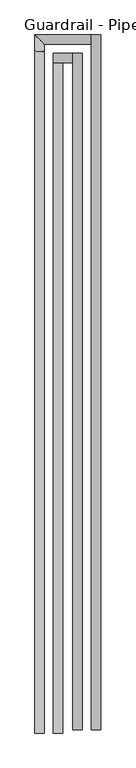
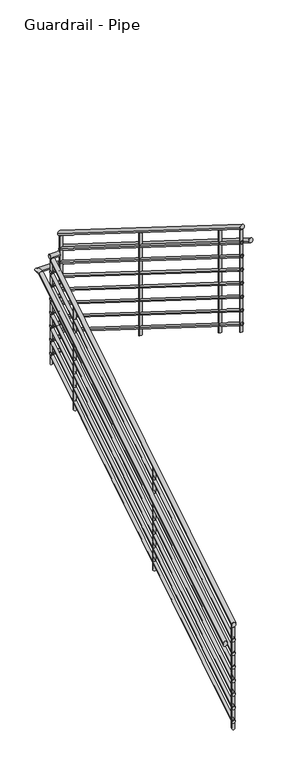
"""IFC4 building model written with IfcOpenShell, lengths in millimetres: railing geometry, Guardrail - Pipe."""

from ifc_helpers import new_model, si_unit, frame, origin, place, context, project, spatial, circle_curve, ellipse_curve, source, transform, mapped, element, save
from ifc_brep_helpers import plane_surface, cylinder_surface, advanced_brep


def guardrail_pipe_2cdfde2b(model_context):
    return source(origin(), model_context, "Body", "AdvancedBrep", [
        advanced_brep(
        [(115072.71908, 35424.3893546, 1220.737105), (115110.81908, 35424.3893546, 1220.737105), (115072.71908, 38192.8754512, 2947.033036), (115110.81908, 38192.8754512, 2947.033036)],
        [
            (0, 1, ellipse_curve(frame((115091.76908, 35424.3893546, 1220.737105), z_axis=(0.0, -1.0, 0.0), x_axis=(0.0, 0.0, -1.0)), 22.4500633, 19.05)),
            (1, 0, ellipse_curve(frame((115091.76908, 35424.3893546, 1220.737105), z_axis=(0.0, -1.0, 0.0), x_axis=(0.0, 0.0, -1.0)), 22.4500633, 19.05)),
            (2, 3, ellipse_curve(frame((115091.76908, 38192.8754512, 2947.033036), z_axis=(0.0, 1.0, 0.0), x_axis=(0.0, 0.0, -1.0)), 22.4500633, 19.05)),
            (3, 2, ellipse_curve(frame((115091.76908, 38192.8754512, 2947.033036), z_axis=(0.0, 1.0, 0.0), x_axis=(0.0, 0.0, -1.0)), 22.4500633, 19.05)),
            (0, 2),
            (3, 1),
        ],
        [
            plane_surface(frame((115091.76908, 35424.3893546, 1243.1871683), z_axis=(0.0, -1.0, 0.0), x_axis=(0.0, 0.0, 1.0))),
            plane_surface(frame((115091.76908, 38192.8754512, 2969.4830993), z_axis=(0.0, 1.0, 0.0), x_axis=(0.0, 0.0, 1.0))),
            cylinder_surface(frame((115091.76908, 35434.4690009, 1227.0222918), z_axis=(0.0, -0.848549946364704, -0.5291152885000188), x_axis=(1.0, 0.0, 0.0)), 19.05),
        ],
        [
            (0, [[1, 2]]),
            (1, [[3, 4]]),
            (2, [[-1, 5, -4, 6]]),
            (2, [[-2, -6, -3, -5]]),
        ],
    ),
        advanced_brep(
        [(115072.71908, 38230.9754512, 2978.15), (115072.71908, 38192.8754512, 2978.15), (115153.7892193, 38230.9754512, 2978.15), (115153.7892193, 38192.8754512, 2978.15)],
        [
            (0, 1, circle_curve(frame((115072.71908, 38211.9254512, 2978.15), z_axis=(-1.0, 0.0, 0.0), x_axis=(0.0, -1.0, 0.0)), 19.05)),
            (1, 0, circle_curve(frame((115072.71908, 38211.9254512, 2978.15), z_axis=(-1.0, 0.0, 0.0), x_axis=(0.0, -1.0, 0.0)), 19.05)),
            (2, 3, circle_curve(frame((115153.7892193, 38211.9254512, 2978.15), z_axis=(1.0, 0.0, 0.0), x_axis=(0.0, -1.0, 0.0)), 19.05)),
            (3, 2, circle_curve(frame((115153.7892193, 38211.9254512, 2978.15), z_axis=(1.0, 0.0, 0.0), x_axis=(0.0, -1.0, 0.0)), 19.05)),
            (0, 2),
            (3, 1),
        ],
        [
            plane_surface(frame((115072.71908, 38211.9254512, 2997.2), z_axis=(-1.0, 0.0, 0.0), x_axis=(0.0, 1.0, 0.0))),
            plane_surface(frame((115153.7892193, 38211.9254512, 2997.2), z_axis=(1.0, 0.0, 0.0), x_axis=(0.0, 1.0, 0.0))),
            cylinder_surface(frame((115072.71908, 38211.9254512, 2978.15), z_axis=(-1.0, 0.0, 0.0), x_axis=(0.0, -1.0, 0.0)), 19.05),
        ],
        [
            (0, [[1, 2]]),
            (1, [[3, 4]]),
            (2, [[-1, 5, -4, 6]]),
            (2, [[-2, -6, -3, -5]]),
        ],
    ),
        advanced_brep(
        [(115191.8892193, 38230.9754512, 3154.1884052), (115153.7892193, 38230.9754512, 3154.1884052), (115191.8892193, 35437.3254512, 4905.117613), (115153.7892193, 35437.3254512, 4905.117613)],
        [
            (0, 1, ellipse_curve(frame((115172.8392193, 38230.9754512, 3154.1884052), z_axis=(0.0, 1.0, 0.0), x_axis=(0.0, 0.0, -1.0)), 22.482387, 19.05)),
            (1, 0, ellipse_curve(frame((115172.8392193, 38230.9754512, 3154.1884052), z_axis=(0.0, 1.0, 0.0), x_axis=(0.0, 0.0, -1.0)), 22.482387, 19.05)),
            (2, 3, ellipse_curve(frame((115172.8392193, 35437.3254512, 4905.117613), z_axis=(0.0, -1.0, 0.0), x_axis=(0.0, 0.0, -1.0)), 22.482387, 19.05)),
            (3, 2, ellipse_curve(frame((115172.8392193, 35437.3254512, 4905.117613), z_axis=(0.0, -1.0, 0.0), x_axis=(0.0, 0.0, -1.0)), 22.482387, 19.05)),
            (0, 2),
            (3, 1),
        ],
        [
            plane_surface(frame((115172.8392193, 38230.9754512, 3176.6707922), z_axis=(0.0, 1.0, 0.0), x_axis=(0.0, 0.0, -1.0))),
            plane_surface(frame((115172.8392193, 35437.3254512, 4927.6), z_axis=(0.0, -1.0, 0.0), x_axis=(0.0, 0.0, -1.0))),
            cylinder_surface(frame((115172.8392193, 38220.8586286, 3160.5291566), z_axis=(0.0, 0.847329955384302, -0.5310668006083951), x_axis=(-1.0, 0.0, 0.0)), 19.05),
        ],
        [
            (0, [[1, 2]]),
            (1, [[3, 4]]),
            (2, [[-1, 5, -4, 6]]),
            (2, [[-2, -6, -3, -5]]),
        ],
    ),
        advanced_brep(
        [(115079.06908, 35424.3893546, 1075.8204595), (115104.46908, 35424.3893546, 1075.8204595), (115079.06908, 38199.2254512, 2806.0759477), (115104.46908, 38199.2254512, 2806.0759477)],
        [
            (0, 1, ellipse_curve(frame((115091.76908, 35424.3893546, 1075.8204595), z_axis=(0.0, -1.0, 0.0), x_axis=(0.0, 0.0, -1.0)), 14.9667089, 12.7)),
            (1, 0, ellipse_curve(frame((115091.76908, 35424.3893546, 1075.8204595), z_axis=(0.0, -1.0, 0.0), x_axis=(0.0, 0.0, -1.0)), 14.9667089, 12.7)),
            (2, 3, ellipse_curve(frame((115091.76908, 38199.2254512, 2806.0759477), z_axis=(0.0, 1.0, 0.0), x_axis=(0.0, 0.0, -1.0)), 14.9667089, 12.7)),
            (3, 2, ellipse_curve(frame((115091.76908, 38199.2254512, 2806.0759477), z_axis=(0.0, 1.0, 0.0), x_axis=(0.0, 0.0, -1.0)), 14.9667089, 12.7)),
            (0, 2),
            (3, 1),
        ],
        [
            plane_surface(frame((115091.76908, 35424.3893546, 1090.7871683), z_axis=(0.0, -1.0, 0.0), x_axis=(0.0, 0.0, 1.0))),
            plane_surface(frame((115091.76908, 38199.2254512, 2821.0426566), z_axis=(0.0, 1.0, 0.0), x_axis=(0.0, 0.0, 1.0))),
            cylinder_surface(frame((115091.76908, 35431.1091188, 1080.010584), z_axis=(0.0, -0.848549946364704, -0.5291152885000188), x_axis=(1.0, 0.0, 0.0)), 12.7),
        ],
        [
            (0, [[1, 2]]),
            (1, [[3, 4]]),
            (2, [[-1, 5, -4, 6]]),
            (2, [[-2, -6, -3, -5]]),
        ],
    ),
        advanced_brep(
        [(115079.06908, 38224.6254512, 2832.1), (115079.06908, 38199.2254512, 2832.1), (115160.1392193, 38224.6254512, 2832.1), (115160.1392193, 38199.2254512, 2832.1)],
        [
            (0, 1, circle_curve(frame((115079.06908, 38211.9254512, 2832.1), z_axis=(-1.0, 0.0, 0.0), x_axis=(0.0, -1.0, 0.0)), 12.7)),
            (1, 0, circle_curve(frame((115079.06908, 38211.9254512, 2832.1), z_axis=(-1.0, 0.0, 0.0), x_axis=(0.0, -1.0, 0.0)), 12.7)),
            (2, 3, circle_curve(frame((115160.1392193, 38211.9254512, 2832.1), z_axis=(1.0, 0.0, 0.0), x_axis=(0.0, -1.0, 0.0)), 12.7)),
            (3, 2, circle_curve(frame((115160.1392193, 38211.9254512, 2832.1), z_axis=(1.0, 0.0, 0.0), x_axis=(0.0, -1.0, 0.0)), 12.7)),
            (0, 2),
            (3, 1),
        ],
        [
            plane_surface(frame((115079.06908, 38211.9254512, 2844.8), z_axis=(-1.0, 0.0, 0.0), x_axis=(0.0, 1.0, 0.0))),
            plane_surface(frame((115160.1392193, 38211.9254512, 2844.8), z_axis=(1.0, 0.0, 0.0), x_axis=(0.0, 1.0, 0.0))),
            cylinder_surface(frame((115079.06908, 38211.9254512, 2832.1), z_axis=(-1.0, 0.0, 0.0), x_axis=(0.0, -1.0, 0.0)), 12.7),
        ],
        [
            (0, [[1, 2]]),
            (1, [[3, 4]]),
            (2, [[-1, 5, -4, 6]]),
            (2, [[-2, -6, -3, -5]]),
        ],
    ),
        advanced_brep(
        [(115185.5392193, 38224.6254512, 3013.2624173), (115160.1392193, 38224.6254512, 3013.2624173), (115185.5392193, 35437.3254512, 4760.211742), (115160.1392193, 35437.3254512, 4760.211742)],
        [
            (0, 1, ellipse_curve(frame((115172.8392193, 38224.6254512, 3013.2624173), z_axis=(0.0, 1.0, 0.0), x_axis=(0.0, 0.0, -1.0)), 14.988258, 12.7)),
            (1, 0, ellipse_curve(frame((115172.8392193, 38224.6254512, 3013.2624173), z_axis=(0.0, 1.0, 0.0), x_axis=(0.0, 0.0, -1.0)), 14.988258, 12.7)),
            (2, 3, ellipse_curve(frame((115172.8392193, 35437.3254512, 4760.211742), z_axis=(0.0, -1.0, 0.0), x_axis=(0.0, 0.0, -1.0)), 14.988258, 12.7)),
            (3, 2, ellipse_curve(frame((115172.8392193, 35437.3254512, 4760.211742), z_axis=(0.0, -1.0, 0.0), x_axis=(0.0, 0.0, -1.0)), 14.988258, 12.7)),
            (0, 2),
            (3, 1),
        ],
        [
            plane_surface(frame((115172.8392193, 38224.6254512, 3028.2506753), z_axis=(0.0, 1.0, 0.0), x_axis=(0.0, 0.0, -1.0))),
            plane_surface(frame((115172.8392193, 35437.3254512, 4775.2), z_axis=(0.0, -1.0, 0.0), x_axis=(0.0, 0.0, -1.0))),
            cylinder_surface(frame((115172.8392193, 38217.8809028, 3017.4895849), z_axis=(0.0, 0.847329955384302, -0.5310668006083952), x_axis=(-1.0, 0.0, 0.0)), 12.7),
        ],
        [
            (0, [[1, 2]]),
            (1, [[3, 4]]),
            (2, [[-1, 5, -4, 6]]),
            (2, [[-2, -6, -3, -5]]),
        ],
    ),
        advanced_brep(
        [(114996.51908, 35424.3893546, 1068.337105), (115034.61908, 35424.3893546, 1068.337105), (114996.51908, 38242.7781825, 2825.75), (115034.61908, 38242.7781825, 2825.75), (114996.51908, 38307.1754512, 2825.75), (115034.61908, 38269.0754512, 2825.75), (115229.9892193, 38307.1754512, 2825.75), (115229.9892193, 38269.0754512, 2825.75)],
        [
            (0, 1, ellipse_curve(frame((115015.56908, 35424.3893546, 1068.337105), z_axis=(0.0, -1.0, 0.0), x_axis=(0.0, 0.0, -1.0)), 22.4500633, 19.05)),
            (1, 0, ellipse_curve(frame((115015.56908, 35424.3893546, 1068.337105), z_axis=(0.0, -1.0, 0.0), x_axis=(0.0, 0.0, -1.0)), 22.4500633, 19.05)),
            (0, 2),
            (2, 3, ellipse_curve(frame((115015.56908, 38242.7781825, 2825.75), z_axis=(0.0, -0.9613922057008533, -0.2751818068434903), x_axis=(0.0, 0.27518180684348953, -0.9613922057008535)), 19.815014, 19.05)),
            (3, 1),
            (3, 2, ellipse_curve(frame((115015.56908, 38242.7781825, 2825.75), z_axis=(0.0, -0.9613922057008533, -0.2751818068434903), x_axis=(0.0, 0.27518180684348953, -0.9613922057008535)), 19.815014, 19.05)),
            (2, 4),
            (4, 5, ellipse_curve(frame((115015.56908, 38288.1254512, 2825.75), z_axis=(-0.7071067811865475, -0.7071067811865475, 0.0), x_axis=(0.7071067811865474, -0.7071067811865476, 0.0)), 26.9407684, 19.05)),
            (5, 3),
            (5, 4, ellipse_curve(frame((115015.56908, 38288.1254512, 2825.75), z_axis=(-0.7071067811865475, -0.7071067811865475, 0.0), x_axis=(0.7071067811865474, -0.7071067811865476, 0.0)), 26.9407684, 19.05)),
            (6, 7, circle_curve(frame((115229.9892193, 38288.1254512, 2825.75), z_axis=(1.0, 0.0, 0.0), x_axis=(0.0, -1.0, 0.0)), 19.05)),
            (7, 6, circle_curve(frame((115229.9892193, 38288.1254512, 2825.75), z_axis=(1.0, 0.0, 0.0), x_axis=(0.0, -1.0, 0.0)), 19.05)),
            (4, 6),
            (7, 5),
        ],
        [
            plane_surface(frame((115015.56908, 35424.3893546, 1090.7871683), z_axis=(0.0, -1.0, 0.0), x_axis=(0.0, 0.0, 1.0))),
            cylinder_surface(frame((115015.56908, 35434.4690009, 1074.6222918), z_axis=(0.0, -0.848549946364704, -0.5291152885000188), x_axis=(1.0, 0.0, 0.0)), 19.05),
            cylinder_surface(frame((115015.56908, 38237.3254512, 2825.75), z_axis=(0.0, -1.0, 0.0), x_axis=(1.0, 0.0, 0.0)), 19.05),
            plane_surface(frame((115229.9892193, 38288.1254512, 2844.8), z_axis=(1.0, 0.0, 0.0), x_axis=(0.0, 1.0, 0.0))),
            cylinder_surface(frame((115015.56908, 38288.1254512, 2825.75), z_axis=(-1.0, 0.0, 0.0), x_axis=(0.0, -1.0, 0.0)), 19.05),
        ],
        [
            (0, [[1, 2]]),
            (1, [[-1, 3, 4, 5]]),
            (1, [[-2, -5, 6, -3]]),
            (2, [[-4, 7, 8, 9]]),
            (2, [[-6, -9, 10, -7]]),
            (3, [[11, 12]]),
            (4, [[-8, 13, -12, 14]]),
            (4, [[-10, -14, -11, -13]]),
        ],
    ),
        advanced_brep(
        [(115268.0892193, 38307.1754512, 2954.0298078), (115229.9892193, 38307.1754512, 2954.0298078), (115268.0892193, 35437.3254512, 4752.717613), (115229.9892193, 35437.3254512, 4752.717613)],
        [
            (0, 1, ellipse_curve(frame((115249.0392193, 38307.1754512, 2954.0298078), z_axis=(0.0, 1.0, 0.0), x_axis=(0.0, 0.0, -1.0)), 22.482387, 19.05)),
            (1, 0, ellipse_curve(frame((115249.0392193, 38307.1754512, 2954.0298078), z_axis=(0.0, 1.0, 0.0), x_axis=(0.0, 0.0, -1.0)), 22.482387, 19.05)),
            (2, 3, ellipse_curve(frame((115249.0392193, 35437.3254512, 4752.717613), z_axis=(0.0, -1.0, 0.0), x_axis=(0.0, 0.0, -1.0)), 22.482387, 19.05)),
            (3, 2, ellipse_curve(frame((115249.0392193, 35437.3254512, 4752.717613), z_axis=(0.0, -1.0, 0.0), x_axis=(0.0, 0.0, -1.0)), 22.482387, 19.05)),
            (0, 2),
            (3, 1),
        ],
        [
            plane_surface(frame((115249.0392193, 38307.1754512, 2976.5121948), z_axis=(0.0, 1.0, 0.0), x_axis=(0.0, 0.0, -1.0))),
            plane_surface(frame((115249.0392193, 35437.3254512, 4775.2), z_axis=(0.0, -1.0, 0.0), x_axis=(0.0, 0.0, -1.0))),
            cylinder_surface(frame((115249.0392193, 38297.0586286, 2960.3705592), z_axis=(0.0, 0.8473299553843019, -0.5310668006083952), x_axis=(-1.0, 0.0, 0.0)), 19.05),
        ],
        [
            (0, [[1, 2]]),
            (1, [[3, 4]]),
            (2, [[-1, 5, -4, 6]]),
            (2, [[-2, -6, -3, -5]]),
        ],
    ),
        advanced_brep(
        [(115079.06908, 35424.3893546, 948.8204595), (115104.46908, 35424.3893546, 948.8204595), (115079.06908, 38199.2254512, 2679.0759477), (115104.46908, 38199.2254512, 2679.0759477)],
        [
            (0, 1, ellipse_curve(frame((115091.76908, 35424.3893546, 948.8204595), z_axis=(0.0, -1.0, 0.0), x_axis=(0.0, 0.0, -1.0)), 14.9667089, 12.7)),
            (1, 0, ellipse_curve(frame((115091.76908, 35424.3893546, 948.8204595), z_axis=(0.0, -1.0, 0.0), x_axis=(0.0, 0.0, -1.0)), 14.9667089, 12.7)),
            (2, 3, ellipse_curve(frame((115091.76908, 38199.2254512, 2679.0759477), z_axis=(0.0, 1.0, 0.0), x_axis=(0.0, 0.0, -1.0)), 14.9667089, 12.7)),
            (3, 2, ellipse_curve(frame((115091.76908, 38199.2254512, 2679.0759477), z_axis=(0.0, 1.0, 0.0), x_axis=(0.0, 0.0, -1.0)), 14.9667089, 12.7)),
            (0, 2),
            (3, 1),
        ],
        [
            plane_surface(frame((115091.76908, 35424.3893546, 963.7871683), z_axis=(0.0, -1.0, 0.0), x_axis=(0.0, 0.0, 1.0))),
            plane_surface(frame((115091.76908, 38199.2254512, 2694.0426566), z_axis=(0.0, 1.0, 0.0), x_axis=(0.0, 0.0, 1.0))),
            cylinder_surface(frame((115091.76908, 35431.1091188, 953.010584), z_axis=(0.0, -0.8485499463647039, -0.5291152885000188), x_axis=(1.0, 0.0, 0.0)), 12.7),
        ],
        [
            (0, [[1, 2]]),
            (1, [[3, 4]]),
            (2, [[-1, 5, -4, 6]]),
            (2, [[-2, -6, -3, -5]]),
        ],
    ),
        advanced_brep(
        [(115079.06908, 38224.6254512, 2705.1), (115079.06908, 38199.2254512, 2705.1), (115160.1392193, 38224.6254512, 2705.1), (115160.1392193, 38199.2254512, 2705.1)],
        [
            (0, 1, circle_curve(frame((115079.06908, 38211.9254512, 2705.1), z_axis=(-1.0, 0.0, 0.0), x_axis=(0.0, -1.0, 0.0)), 12.7)),
            (1, 0, circle_curve(frame((115079.06908, 38211.9254512, 2705.1), z_axis=(-1.0, 0.0, 0.0), x_axis=(0.0, -1.0, 0.0)), 12.7)),
            (2, 3, circle_curve(frame((115160.1392193, 38211.9254512, 2705.1), z_axis=(1.0, 0.0, 0.0), x_axis=(0.0, -1.0, 0.0)), 12.7)),
            (3, 2, circle_curve(frame((115160.1392193, 38211.9254512, 2705.1), z_axis=(1.0, 0.0, 0.0), x_axis=(0.0, -1.0, 0.0)), 12.7)),
            (0, 2),
            (3, 1),
        ],
        [
            plane_surface(frame((115079.06908, 38211.9254512, 2717.8), z_axis=(-1.0, 0.0, 0.0), x_axis=(0.0, 1.0, 0.0))),
            plane_surface(frame((115160.1392193, 38211.9254512, 2717.8), z_axis=(1.0, 0.0, 0.0), x_axis=(0.0, 1.0, 0.0))),
            cylinder_surface(frame((115079.06908, 38211.9254512, 2705.1), z_axis=(-1.0, 0.0, 0.0), x_axis=(0.0, -1.0, 0.0)), 12.7),
        ],
        [
            (0, [[1, 2]]),
            (1, [[3, 4]]),
            (2, [[-1, 5, -4, 6]]),
            (2, [[-2, -6, -3, -5]]),
        ],
    ),
        advanced_brep(
        [(115185.5392193, 38224.6254512, 2886.2624173), (115160.1392193, 38224.6254512, 2886.2624173), (115185.5392193, 35437.3254512, 4633.211742), (115160.1392193, 35437.3254512, 4633.211742)],
        [
            (0, 1, ellipse_curve(frame((115172.8392193, 38224.6254512, 2886.2624173), z_axis=(0.0, 1.0, 0.0), x_axis=(0.0, 0.0, -1.0)), 14.988258, 12.7)),
            (1, 0, ellipse_curve(frame((115172.8392193, 38224.6254512, 2886.2624173), z_axis=(0.0, 1.0, 0.0), x_axis=(0.0, 0.0, -1.0)), 14.988258, 12.7)),
            (2, 3, ellipse_curve(frame((115172.8392193, 35437.3254512, 4633.211742), z_axis=(0.0, -1.0, 0.0), x_axis=(0.0, 0.0, -1.0)), 14.988258, 12.7)),
            (3, 2, ellipse_curve(frame((115172.8392193, 35437.3254512, 4633.211742), z_axis=(0.0, -1.0, 0.0), x_axis=(0.0, 0.0, -1.0)), 14.988258, 12.7)),
            (0, 2),
            (3, 1),
        ],
        [
            plane_surface(frame((115172.8392193, 38224.6254512, 2901.2506753), z_axis=(0.0, 1.0, 0.0), x_axis=(0.0, 0.0, -1.0))),
            plane_surface(frame((115172.8392193, 35437.3254512, 4648.2), z_axis=(0.0, -1.0, 0.0), x_axis=(0.0, 0.0, -1.0))),
            cylinder_surface(frame((115172.8392193, 38217.8809028, 2890.4895849), z_axis=(0.0, 0.847329955384302, -0.5310668006083952), x_axis=(-1.0, 0.0, 0.0)), 12.7),
        ],
        [
            (0, [[1, 2]]),
            (1, [[3, 4]]),
            (2, [[-1, 5, -4, 6]]),
            (2, [[-2, -6, -3, -5]]),
        ],
    ),
        advanced_brep(
        [(115079.06908, 35424.3893546, 821.8204595), (115104.46908, 35424.3893546, 821.8204595), (115079.06908, 38199.2254512, 2552.0759477), (115104.46908, 38199.2254512, 2552.0759477)],
        [
            (0, 1, ellipse_curve(frame((115091.76908, 35424.3893546, 821.8204595), z_axis=(0.0, -1.0, 0.0), x_axis=(0.0, 0.0, -1.0)), 14.9667089, 12.7)),
            (1, 0, ellipse_curve(frame((115091.76908, 35424.3893546, 821.8204595), z_axis=(0.0, -1.0, 0.0), x_axis=(0.0, 0.0, -1.0)), 14.9667089, 12.7)),
            (2, 3, ellipse_curve(frame((115091.76908, 38199.2254512, 2552.0759477), z_axis=(0.0, 1.0, 0.0), x_axis=(0.0, 0.0, -1.0)), 14.9667089, 12.7)),
            (3, 2, ellipse_curve(frame((115091.76908, 38199.2254512, 2552.0759477), z_axis=(0.0, 1.0, 0.0), x_axis=(0.0, 0.0, -1.0)), 14.9667089, 12.7)),
            (0, 2),
            (3, 1),
        ],
        [
            plane_surface(frame((115091.76908, 35424.3893546, 836.7871683), z_axis=(0.0, -1.0, 0.0), x_axis=(0.0, 0.0, 1.0))),
            plane_surface(frame((115091.76908, 38199.2254512, 2567.0426566), z_axis=(0.0, 1.0, 0.0), x_axis=(0.0, 0.0, 1.0))),
            cylinder_surface(frame((115091.76908, 35431.1091188, 826.010584), z_axis=(0.0, -0.848549946364704, -0.5291152885000188), x_axis=(1.0, 0.0, 0.0)), 12.7),
        ],
        [
            (0, [[1, 2]]),
            (1, [[3, 4]]),
            (2, [[-1, 5, -4, 6]]),
            (2, [[-2, -6, -3, -5]]),
        ],
    ),
        advanced_brep(
        [(115079.06908, 38224.6254512, 2578.1), (115079.06908, 38199.2254512, 2578.1), (115160.1392193, 38224.6254512, 2578.1), (115160.1392193, 38199.2254512, 2578.1)],
        [
            (0, 1, circle_curve(frame((115079.06908, 38211.9254512, 2578.1), z_axis=(-1.0, 0.0, 0.0), x_axis=(0.0, -1.0, 0.0)), 12.7)),
            (1, 0, circle_curve(frame((115079.06908, 38211.9254512, 2578.1), z_axis=(-1.0, 0.0, 0.0), x_axis=(0.0, -1.0, 0.0)), 12.7)),
            (2, 3, circle_curve(frame((115160.1392193, 38211.9254512, 2578.1), z_axis=(1.0, 0.0, 0.0), x_axis=(0.0, -1.0, 0.0)), 12.7)),
            (3, 2, circle_curve(frame((115160.1392193, 38211.9254512, 2578.1), z_axis=(1.0, 0.0, 0.0), x_axis=(0.0, -1.0, 0.0)), 12.7)),
            (0, 2),
            (3, 1),
        ],
        [
            plane_surface(frame((115079.06908, 38211.9254512, 2590.8), z_axis=(-1.0, 0.0, 0.0), x_axis=(0.0, 1.0, 0.0))),
            plane_surface(frame((115160.1392193, 38211.9254512, 2590.8), z_axis=(1.0, 0.0, 0.0), x_axis=(0.0, 1.0, 0.0))),
            cylinder_surface(frame((115079.06908, 38211.9254512, 2578.1), z_axis=(-1.0, 0.0, 0.0), x_axis=(0.0, -1.0, 0.0)), 12.7),
        ],
        [
            (0, [[1, 2]]),
            (1, [[3, 4]]),
            (2, [[-1, 5, -4, 6]]),
            (2, [[-2, -6, -3, -5]]),
        ],
    ),
        advanced_brep(
        [(115185.5392193, 38224.6254512, 2759.2624173), (115160.1392193, 38224.6254512, 2759.2624173), (115185.5392193, 35437.3254512, 4506.211742), (115160.1392193, 35437.3254512, 4506.211742)],
        [
            (0, 1, ellipse_curve(frame((115172.8392193, 38224.6254512, 2759.2624173), z_axis=(0.0, 1.0, 0.0), x_axis=(0.0, 0.0, -1.0)), 14.988258, 12.7)),
            (1, 0, ellipse_curve(frame((115172.8392193, 38224.6254512, 2759.2624173), z_axis=(0.0, 1.0, 0.0), x_axis=(0.0, 0.0, -1.0)), 14.988258, 12.7)),
            (2, 3, ellipse_curve(frame((115172.8392193, 35437.3254512, 4506.211742), z_axis=(0.0, -1.0, 0.0), x_axis=(0.0, 0.0, -1.0)), 14.988258, 12.7)),
            (3, 2, ellipse_curve(frame((115172.8392193, 35437.3254512, 4506.211742), z_axis=(0.0, -1.0, 0.0), x_axis=(0.0, 0.0, -1.0)), 14.988258, 12.7)),
            (0, 2),
            (3, 1),
        ],
        [
            plane_surface(frame((115172.8392193, 38224.6254512, 2774.2506753), z_axis=(0.0, 1.0, 0.0), x_axis=(0.0, 0.0, -1.0))),
            plane_surface(frame((115172.8392193, 35437.3254512, 4521.2), z_axis=(0.0, -1.0, 0.0), x_axis=(0.0, 0.0, -1.0))),
            cylinder_surface(frame((115172.8392193, 38217.8809028, 2763.4895849), z_axis=(0.0, 0.847329955384302, -0.5310668006083951), x_axis=(-1.0, 0.0, 0.0)), 12.7),
        ],
        [
            (0, [[1, 2]]),
            (1, [[3, 4]]),
            (2, [[-1, 5, -4, 6]]),
            (2, [[-2, -6, -3, -5]]),
        ],
    ),
        advanced_brep(
        [(115079.06908, 35424.3893546, 694.8204595), (115104.46908, 35424.3893546, 694.8204595), (115079.06908, 38199.2254512, 2425.0759477), (115104.46908, 38199.2254512, 2425.0759477)],
        [
            (0, 1, ellipse_curve(frame((115091.76908, 35424.3893546, 694.8204595), z_axis=(0.0, -1.0, 0.0), x_axis=(0.0, 0.0, -1.0)), 14.9667089, 12.7)),
            (1, 0, ellipse_curve(frame((115091.76908, 35424.3893546, 694.8204595), z_axis=(0.0, -1.0, 0.0), x_axis=(0.0, 0.0, -1.0)), 14.9667089, 12.7)),
            (2, 3, ellipse_curve(frame((115091.76908, 38199.2254512, 2425.0759477), z_axis=(0.0, 1.0, 0.0), x_axis=(0.0, 0.0, -1.0)), 14.9667089, 12.7)),
            (3, 2, ellipse_curve(frame((115091.76908, 38199.2254512, 2425.0759477), z_axis=(0.0, 1.0, 0.0), x_axis=(0.0, 0.0, -1.0)), 14.9667089, 12.7)),
            (0, 2),
            (3, 1),
        ],
        [
            plane_surface(frame((115091.76908, 35424.3893546, 709.7871683), z_axis=(0.0, -1.0, 0.0), x_axis=(0.0, 0.0, 1.0))),
            plane_surface(frame((115091.76908, 38199.2254512, 2440.0426566), z_axis=(0.0, 1.0, 0.0), x_axis=(0.0, 0.0, 1.0))),
            cylinder_surface(frame((115091.76908, 35431.1091188, 699.010584), z_axis=(0.0, -0.848549946364704, -0.5291152885000188), x_axis=(1.0, 0.0, 0.0)), 12.7),
        ],
        [
            (0, [[1, 2]]),
            (1, [[3, 4]]),
            (2, [[-1, 5, -4, 6]]),
            (2, [[-2, -6, -3, -5]]),
        ],
    ),
        advanced_brep(
        [(115079.06908, 38224.6254512, 2451.1), (115079.06908, 38199.2254512, 2451.1), (115160.1392193, 38224.6254512, 2451.1), (115160.1392193, 38199.2254512, 2451.1)],
        [
            (0, 1, circle_curve(frame((115079.06908, 38211.9254512, 2451.1), z_axis=(-1.0, 0.0, 0.0), x_axis=(0.0, -1.0, 0.0)), 12.7)),
            (1, 0, circle_curve(frame((115079.06908, 38211.9254512, 2451.1), z_axis=(-1.0, 0.0, 0.0), x_axis=(0.0, -1.0, 0.0)), 12.7)),
            (2, 3, circle_curve(frame((115160.1392193, 38211.9254512, 2451.1), z_axis=(1.0, 0.0, 0.0), x_axis=(0.0, -1.0, 0.0)), 12.7)),
            (3, 2, circle_curve(frame((115160.1392193, 38211.9254512, 2451.1), z_axis=(1.0, 0.0, 0.0), x_axis=(0.0, -1.0, 0.0)), 12.7)),
            (0, 2),
            (3, 1),
        ],
        [
            plane_surface(frame((115079.06908, 38211.9254512, 2463.8), z_axis=(-1.0, 0.0, 0.0), x_axis=(0.0, 1.0, 0.0))),
            plane_surface(frame((115160.1392193, 38211.9254512, 2463.8), z_axis=(1.0, 0.0, 0.0), x_axis=(0.0, 1.0, 0.0))),
            cylinder_surface(frame((115079.06908, 38211.9254512, 2451.1), z_axis=(-1.0, 0.0, 0.0), x_axis=(0.0, -1.0, 0.0)), 12.7),
        ],
        [
            (0, [[1, 2]]),
            (1, [[3, 4]]),
            (2, [[-1, 5, -4, 6]]),
            (2, [[-2, -6, -3, -5]]),
        ],
    ),
        advanced_brep(
        [(115185.5392193, 38224.6254512, 2632.2624173), (115160.1392193, 38224.6254512, 2632.2624173), (115185.5392193, 35437.3254512, 4379.211742), (115160.1392193, 35437.3254512, 4379.211742)],
        [
            (0, 1, ellipse_curve(frame((115172.8392193, 38224.6254512, 2632.2624173), z_axis=(0.0, 1.0, 0.0), x_axis=(0.0, 0.0, -1.0)), 14.988258, 12.7)),
            (1, 0, ellipse_curve(frame((115172.8392193, 38224.6254512, 2632.2624173), z_axis=(0.0, 1.0, 0.0), x_axis=(0.0, 0.0, -1.0)), 14.988258, 12.7)),
            (2, 3, ellipse_curve(frame((115172.8392193, 35437.3254512, 4379.211742), z_axis=(0.0, -1.0, 0.0), x_axis=(0.0, 0.0, -1.0)), 14.988258, 12.7)),
            (3, 2, ellipse_curve(frame((115172.8392193, 35437.3254512, 4379.211742), z_axis=(0.0, -1.0, 0.0), x_axis=(0.0, 0.0, -1.0)), 14.988258, 12.7)),
            (0, 2),
            (3, 1),
        ],
        [
            plane_surface(frame((115172.8392193, 38224.6254512, 2647.2506753), z_axis=(0.0, 1.0, 0.0), x_axis=(0.0, 0.0, -1.0))),
            plane_surface(frame((115172.8392193, 35437.3254512, 4394.2), z_axis=(0.0, -1.0, 0.0), x_axis=(0.0, 0.0, -1.0))),
            cylinder_surface(frame((115172.8392193, 38217.8809028, 2636.4895849), z_axis=(0.0, 0.847329955384302, -0.5310668006083952), x_axis=(-1.0, 0.0, 0.0)), 12.7),
        ],
        [
            (0, [[1, 2]]),
            (1, [[3, 4]]),
            (2, [[-1, 5, -4, 6]]),
            (2, [[-2, -6, -3, -5]]),
        ],
    ),
        advanced_brep(
        [(115079.06908, 35424.3893546, 567.8204595), (115104.46908, 35424.3893546, 567.8204595), (115079.06908, 38199.2254512, 2298.0759477), (115104.46908, 38199.2254512, 2298.0759477)],
        [
            (0, 1, ellipse_curve(frame((115091.76908, 35424.3893546, 567.8204595), z_axis=(0.0, -1.0, 0.0), x_axis=(0.0, 0.0, -1.0)), 14.9667089, 12.7)),
            (1, 0, ellipse_curve(frame((115091.76908, 35424.3893546, 567.8204595), z_axis=(0.0, -1.0, 0.0), x_axis=(0.0, 0.0, -1.0)), 14.9667089, 12.7)),
            (2, 3, ellipse_curve(frame((115091.76908, 38199.2254512, 2298.0759477), z_axis=(0.0, 1.0, 0.0), x_axis=(0.0, 0.0, -1.0)), 14.9667089, 12.7)),
            (3, 2, ellipse_curve(frame((115091.76908, 38199.2254512, 2298.0759477), z_axis=(0.0, 1.0, 0.0), x_axis=(0.0, 0.0, -1.0)), 14.9667089, 12.7)),
            (0, 2),
            (3, 1),
        ],
        [
            plane_surface(frame((115091.76908, 35424.3893546, 582.7871683), z_axis=(0.0, -1.0, 0.0), x_axis=(0.0, 0.0, 1.0))),
            plane_surface(frame((115091.76908, 38199.2254512, 2313.0426566), z_axis=(0.0, 1.0, 0.0), x_axis=(0.0, 0.0, 1.0))),
            cylinder_surface(frame((115091.76908, 35431.1091188, 572.010584), z_axis=(0.0, -0.848549946364704, -0.5291152885000188), x_axis=(1.0, 0.0, 0.0)), 12.7),
        ],
        [
            (0, [[1, 2]]),
            (1, [[3, 4]]),
            (2, [[-1, 5, -4, 6]]),
            (2, [[-2, -6, -3, -5]]),
        ],
    ),
        advanced_brep(
        [(115079.06908, 38224.6254512, 2324.1), (115079.06908, 38199.2254512, 2324.1), (115160.1392193, 38224.6254512, 2324.1), (115160.1392193, 38199.2254512, 2324.1)],
        [
            (0, 1, circle_curve(frame((115079.06908, 38211.9254512, 2324.1), z_axis=(-1.0, 0.0, 0.0), x_axis=(0.0, -1.0, 0.0)), 12.7)),
            (1, 0, circle_curve(frame((115079.06908, 38211.9254512, 2324.1), z_axis=(-1.0, 0.0, 0.0), x_axis=(0.0, -1.0, 0.0)), 12.7)),
            (2, 3, circle_curve(frame((115160.1392193, 38211.9254512, 2324.1), z_axis=(1.0, 0.0, 0.0), x_axis=(0.0, -1.0, 0.0)), 12.7)),
            (3, 2, circle_curve(frame((115160.1392193, 38211.9254512, 2324.1), z_axis=(1.0, 0.0, 0.0), x_axis=(0.0, -1.0, 0.0)), 12.7)),
            (0, 2),
            (3, 1),
        ],
        [
            plane_surface(frame((115079.06908, 38211.9254512, 2336.8), z_axis=(-1.0, 0.0, 0.0), x_axis=(0.0, 1.0, 0.0))),
            plane_surface(frame((115160.1392193, 38211.9254512, 2336.8), z_axis=(1.0, 0.0, 0.0), x_axis=(0.0, 1.0, 0.0))),
            cylinder_surface(frame((115079.06908, 38211.9254512, 2324.1), z_axis=(-1.0, 0.0, 0.0), x_axis=(0.0, -1.0, 0.0)), 12.7),
        ],
        [
            (0, [[1, 2]]),
            (1, [[3, 4]]),
            (2, [[-1, 5, -4, 6]]),
            (2, [[-2, -6, -3, -5]]),
        ],
    ),
        advanced_brep(
        [(115185.5392193, 38224.6254512, 2505.2624173), (115160.1392193, 38224.6254512, 2505.2624173), (115185.5392193, 35437.3254512, 4252.211742), (115160.1392193, 35437.3254512, 4252.211742)],
        [
            (0, 1, ellipse_curve(frame((115172.8392193, 38224.6254512, 2505.2624173), z_axis=(0.0, 1.0, 0.0), x_axis=(0.0, 0.0, -1.0)), 14.988258, 12.7)),
            (1, 0, ellipse_curve(frame((115172.8392193, 38224.6254512, 2505.2624173), z_axis=(0.0, 1.0, 0.0), x_axis=(0.0, 0.0, -1.0)), 14.988258, 12.7)),
            (2, 3, ellipse_curve(frame((115172.8392193, 35437.3254512, 4252.211742), z_axis=(0.0, -1.0, 0.0), x_axis=(0.0, 0.0, -1.0)), 14.988258, 12.7)),
            (3, 2, ellipse_curve(frame((115172.8392193, 35437.3254512, 4252.211742), z_axis=(0.0, -1.0, 0.0), x_axis=(0.0, 0.0, -1.0)), 14.988258, 12.7)),
            (0, 2),
            (3, 1),
        ],
        [
            plane_surface(frame((115172.8392193, 38224.6254512, 2520.2506753), z_axis=(0.0, 1.0, 0.0), x_axis=(0.0, 0.0, -1.0))),
            plane_surface(frame((115172.8392193, 35437.3254512, 4267.2), z_axis=(0.0, -1.0, 0.0), x_axis=(0.0, 0.0, -1.0))),
            cylinder_surface(frame((115172.8392193, 38217.8809028, 2509.4895849), z_axis=(0.0, 0.847329955384302, -0.5310668006083952), x_axis=(-1.0, 0.0, 0.0)), 12.7),
        ],
        [
            (0, [[1, 2]]),
            (1, [[3, 4]]),
            (2, [[-1, 5, -4, 6]]),
            (2, [[-2, -6, -3, -5]]),
        ],
    ),
        advanced_brep(
        [(115079.06908, 35424.3893546, 440.8204595), (115104.46908, 35424.3893546, 440.8204595), (115079.06908, 38199.2254512, 2171.0759477), (115104.46908, 38199.2254512, 2171.0759477)],
        [
            (0, 1, ellipse_curve(frame((115091.76908, 35424.3893546, 440.8204595), z_axis=(0.0, -1.0, 0.0), x_axis=(0.0, 0.0, -1.0)), 14.9667089, 12.7)),
            (1, 0, ellipse_curve(frame((115091.76908, 35424.3893546, 440.8204595), z_axis=(0.0, -1.0, 0.0), x_axis=(0.0, 0.0, -1.0)), 14.9667089, 12.7)),
            (2, 3, ellipse_curve(frame((115091.76908, 38199.2254512, 2171.0759477), z_axis=(0.0, 1.0, 0.0), x_axis=(0.0, 0.0, -1.0)), 14.9667089, 12.7)),
            (3, 2, ellipse_curve(frame((115091.76908, 38199.2254512, 2171.0759477), z_axis=(0.0, 1.0, 0.0), x_axis=(0.0, 0.0, -1.0)), 14.9667089, 12.7)),
            (0, 2),
            (3, 1),
        ],
        [
            plane_surface(frame((115091.76908, 35424.3893546, 455.7871683), z_axis=(0.0, -1.0, 0.0), x_axis=(0.0, 0.0, 1.0))),
            plane_surface(frame((115091.76908, 38199.2254512, 2186.0426566), z_axis=(0.0, 1.0, 0.0), x_axis=(0.0, 0.0, 1.0))),
            cylinder_surface(frame((115091.76908, 35431.1091188, 445.010584), z_axis=(0.0, -0.8485499463647039, -0.5291152885000188), x_axis=(1.0, 0.0, 0.0)), 12.7),
        ],
        [
            (0, [[1, 2]]),
            (1, [[3, 4]]),
            (2, [[-1, 5, -4, 6]]),
            (2, [[-2, -6, -3, -5]]),
        ],
    ),
        advanced_brep(
        [(115079.06908, 38224.6254512, 2197.1), (115079.06908, 38199.2254512, 2197.1), (115160.1392193, 38224.6254512, 2197.1), (115160.1392193, 38199.2254512, 2197.1)],
        [
            (0, 1, circle_curve(frame((115079.06908, 38211.9254512, 2197.1), z_axis=(-1.0, 0.0, 0.0), x_axis=(0.0, -1.0, 0.0)), 12.7)),
            (1, 0, circle_curve(frame((115079.06908, 38211.9254512, 2197.1), z_axis=(-1.0, 0.0, 0.0), x_axis=(0.0, -1.0, 0.0)), 12.7)),
            (2, 3, circle_curve(frame((115160.1392193, 38211.9254512, 2197.1), z_axis=(1.0, 0.0, 0.0), x_axis=(0.0, -1.0, 0.0)), 12.7)),
            (3, 2, circle_curve(frame((115160.1392193, 38211.9254512, 2197.1), z_axis=(1.0, 0.0, 0.0), x_axis=(0.0, -1.0, 0.0)), 12.7)),
            (0, 2),
            (3, 1),
        ],
        [
            plane_surface(frame((115079.06908, 38211.9254512, 2209.8), z_axis=(-1.0, 0.0, 0.0), x_axis=(0.0, 1.0, 0.0))),
            plane_surface(frame((115160.1392193, 38211.9254512, 2209.8), z_axis=(1.0, 0.0, 0.0), x_axis=(0.0, 1.0, 0.0))),
            cylinder_surface(frame((115079.06908, 38211.9254512, 2197.1), z_axis=(-1.0, 0.0, 0.0), x_axis=(0.0, -1.0, 0.0)), 12.7),
        ],
        [
            (0, [[1, 2]]),
            (1, [[3, 4]]),
            (2, [[-1, 5, -4, 6]]),
            (2, [[-2, -6, -3, -5]]),
        ],
    ),
        advanced_brep(
        [(115185.5392193, 38224.6254512, 2378.2624173), (115160.1392193, 38224.6254512, 2378.2624173), (115185.5392193, 35437.3254512, 4125.211742), (115160.1392193, 35437.3254512, 4125.211742)],
        [
            (0, 1, ellipse_curve(frame((115172.8392193, 38224.6254512, 2378.2624173), z_axis=(0.0, 1.0, 0.0), x_axis=(0.0, 0.0, -1.0)), 14.988258, 12.7)),
            (1, 0, ellipse_curve(frame((115172.8392193, 38224.6254512, 2378.2624173), z_axis=(0.0, 1.0, 0.0), x_axis=(0.0, 0.0, -1.0)), 14.988258, 12.7)),
            (2, 3, ellipse_curve(frame((115172.8392193, 35437.3254512, 4125.211742), z_axis=(0.0, -1.0, 0.0), x_axis=(0.0, 0.0, -1.0)), 14.988258, 12.7)),
            (3, 2, ellipse_curve(frame((115172.8392193, 35437.3254512, 4125.211742), z_axis=(0.0, -1.0, 0.0), x_axis=(0.0, 0.0, -1.0)), 14.988258, 12.7)),
            (0, 2),
            (3, 1),
        ],
        [
            plane_surface(frame((115172.8392193, 38224.6254512, 2393.2506753), z_axis=(0.0, 1.0, 0.0), x_axis=(0.0, 0.0, -1.0))),
            plane_surface(frame((115172.8392193, 35437.3254512, 4140.2), z_axis=(0.0, -1.0, 0.0), x_axis=(0.0, 0.0, -1.0))),
            cylinder_surface(frame((115172.8392193, 38217.8809028, 2382.4895849), z_axis=(0.0, 0.847329955384302, -0.5310668006083951), x_axis=(-1.0, 0.0, 0.0)), 12.7),
        ],
        [
            (0, [[1, 2]]),
            (1, [[3, 4]]),
            (2, [[-1, 5, -4, 6]]),
            (2, [[-2, -6, -3, -5]]),
        ],
    ),
        advanced_brep(
        [(115079.06908, 35424.3893546, 313.8204595), (115104.46908, 35424.3893546, 313.8204595), (115079.06908, 38199.2254512, 2044.0759477), (115104.46908, 38199.2254512, 2044.0759477)],
        [
            (0, 1, ellipse_curve(frame((115091.76908, 35424.3893546, 313.8204595), z_axis=(0.0, -1.0, 0.0), x_axis=(0.0, 0.0, -1.0)), 14.9667089, 12.7)),
            (1, 0, ellipse_curve(frame((115091.76908, 35424.3893546, 313.8204595), z_axis=(0.0, -1.0, 0.0), x_axis=(0.0, 0.0, -1.0)), 14.9667089, 12.7)),
            (2, 3, ellipse_curve(frame((115091.76908, 38199.2254512, 2044.0759477), z_axis=(0.0, 1.0, 0.0), x_axis=(0.0, 0.0, -1.0)), 14.9667089, 12.7)),
            (3, 2, ellipse_curve(frame((115091.76908, 38199.2254512, 2044.0759477), z_axis=(0.0, 1.0, 0.0), x_axis=(0.0, 0.0, -1.0)), 14.9667089, 12.7)),
            (0, 2),
            (3, 1),
        ],
        [
            plane_surface(frame((115091.76908, 35424.3893546, 328.7871683), z_axis=(0.0, -1.0, 0.0), x_axis=(0.0, 0.0, 1.0))),
            plane_surface(frame((115091.76908, 38199.2254512, 2059.0426566), z_axis=(0.0, 1.0, 0.0), x_axis=(0.0, 0.0, 1.0))),
            cylinder_surface(frame((115091.76908, 35431.1091188, 318.010584), z_axis=(0.0, -0.848549946364704, -0.5291152885000188), x_axis=(1.0, 0.0, 0.0)), 12.7),
        ],
        [
            (0, [[1, 2]]),
            (1, [[3, 4]]),
            (2, [[-1, 5, -4, 6]]),
            (2, [[-2, -6, -3, -5]]),
        ],
    ),
        advanced_brep(
        [(115079.06908, 38224.6254512, 2070.1), (115079.06908, 38199.2254512, 2070.1), (115160.1392193, 38224.6254512, 2070.1), (115160.1392193, 38199.2254512, 2070.1)],
        [
            (0, 1, circle_curve(frame((115079.06908, 38211.9254512, 2070.1), z_axis=(-1.0, 0.0, 0.0), x_axis=(0.0, -1.0, 0.0)), 12.7)),
            (1, 0, circle_curve(frame((115079.06908, 38211.9254512, 2070.1), z_axis=(-1.0, 0.0, 0.0), x_axis=(0.0, -1.0, 0.0)), 12.7)),
            (2, 3, circle_curve(frame((115160.1392193, 38211.9254512, 2070.1), z_axis=(1.0, 0.0, 0.0), x_axis=(0.0, -1.0, 0.0)), 12.7)),
            (3, 2, circle_curve(frame((115160.1392193, 38211.9254512, 2070.1), z_axis=(1.0, 0.0, 0.0), x_axis=(0.0, -1.0, 0.0)), 12.7)),
            (0, 2),
            (3, 1),
        ],
        [
            plane_surface(frame((115079.06908, 38211.9254512, 2082.8), z_axis=(-1.0, 0.0, 0.0), x_axis=(0.0, 1.0, 0.0))),
            plane_surface(frame((115160.1392193, 38211.9254512, 2082.8), z_axis=(1.0, 0.0, 0.0), x_axis=(0.0, 1.0, 0.0))),
            cylinder_surface(frame((115079.06908, 38211.9254512, 2070.1), z_axis=(-1.0, 0.0, 0.0), x_axis=(0.0, -1.0, 0.0)), 12.7),
        ],
        [
            (0, [[1, 2]]),
            (1, [[3, 4]]),
            (2, [[-1, 5, -4, 6]]),
            (2, [[-2, -6, -3, -5]]),
        ],
    ),
        advanced_brep(
        [(115185.5392193, 38224.6254512, 2251.2624173), (115160.1392193, 38224.6254512, 2251.2624173), (115185.5392193, 35437.3254512, 3998.211742), (115160.1392193, 35437.3254512, 3998.211742)],
        [
            (0, 1, ellipse_curve(frame((115172.8392193, 38224.6254512, 2251.2624173), z_axis=(0.0, 1.0, 0.0), x_axis=(0.0, 0.0, -1.0)), 14.988258, 12.7)),
            (1, 0, ellipse_curve(frame((115172.8392193, 38224.6254512, 2251.2624173), z_axis=(0.0, 1.0, 0.0), x_axis=(0.0, 0.0, -1.0)), 14.988258, 12.7)),
            (2, 3, ellipse_curve(frame((115172.8392193, 35437.3254512, 3998.211742), z_axis=(0.0, -1.0, 0.0), x_axis=(0.0, 0.0, -1.0)), 14.988258, 12.7)),
            (3, 2, ellipse_curve(frame((115172.8392193, 35437.3254512, 3998.211742), z_axis=(0.0, -1.0, 0.0), x_axis=(0.0, 0.0, -1.0)), 14.988258, 12.7)),
            (0, 2),
            (3, 1),
        ],
        [
            plane_surface(frame((115172.8392193, 38224.6254512, 2266.2506753), z_axis=(0.0, 1.0, 0.0), x_axis=(0.0, 0.0, -1.0))),
            plane_surface(frame((115172.8392193, 35437.3254512, 4013.2), z_axis=(0.0, -1.0, 0.0), x_axis=(0.0, 0.0, -1.0))),
            cylinder_surface(frame((115172.8392193, 38217.8809028, 2255.4895849), z_axis=(0.0, 0.847329955384302, -0.5310668006083951), x_axis=(-1.0, 0.0, 0.0)), 12.7),
        ],
        [
            (0, [[1, 2]]),
            (1, [[3, 4]]),
            (2, [[-1, 5, -4, 6]]),
            (2, [[-2, -6, -3, -5]]),
        ],
    ),
        advanced_brep(
        [(115160.1392193, 35773.5254512, 4671.9029907), (115160.1392193, 35773.5254512, 3713.3715661), (115185.5392193, 35773.5254512, 3713.3715661), (115185.5392193, 35773.5254512, 4671.9029907)],
        [
            (0, 1),
            (1, 2, ellipse_curve(frame((115172.8392193, 35773.5254512, 3713.3715661), z_axis=(0.0, 0.5309877864306496, 0.8473794726458029), x_axis=(0.0, -0.847379472645803, 0.5309877864306493)), 14.9873822, 12.7)),
            (2, 3),
            (3, 0, ellipse_curve(frame((115172.8392193, 35773.5254512, 4671.9029907), z_axis=(0.0, -0.530987786430648, -0.8473794726458038), x_axis=(0.0, -0.8473794726458039, 0.5309877864306479)), 14.9873822, 12.7)),
            (0, 3, ellipse_curve(frame((115172.8392193, 35773.5254512, 4671.9029907), z_axis=(0.0, -0.530987786430648, -0.8473794726458038), x_axis=(0.0, -0.8473794726458039, 0.5309877864306479)), 14.9873822, 12.7)),
            (2, 1, ellipse_curve(frame((115172.8392193, 35773.5254512, 3713.3715661), z_axis=(0.0, 0.5309877864306496, 0.8473794726458029), x_axis=(0.0, -0.847379472645803, 0.5309877864306493)), 14.9873822, 12.7)),
        ],
        [
            cylinder_surface(frame((115172.8392193, 35773.5254512, 3484.7715661), z_axis=(0.0, 0.0, 1.0), x_axis=(1.0, 0.0, 0.0)), 12.7),
            plane_surface(frame((115198.2392193, 35748.1254512, 4687.8192245), z_axis=(0.0, 0.530987786430648, 0.8473794726458038), x_axis=(-1.0, 0.0, 0.0))),
            plane_surface(frame((115198.2392193, 35798.9254512, 3697.4553323), z_axis=(0.0, -0.5309877864306496, -0.8473794726458029), x_axis=(-1.0, 0.0, 0.0))),
        ],
        [
            (0, [[1, 2, 3, 4]]),
            (0, [[-1, 5, -3, 6]]),
            (1, [[-4, -5]]),
            (2, [[-2, -6]]),
        ],
    ),
        advanced_brep(
        [(115160.1392193, 36992.7254512, 3907.7654323), (115160.1392193, 36992.7254512, 2949.2340077), (115185.5392193, 36992.7254512, 2949.2340077), (115185.5392193, 36992.7254512, 3907.7654323)],
        [
            (0, 1),
            (1, 2, ellipse_curve(frame((115172.8392193, 36992.7254512, 2949.2340077), z_axis=(0.0, 0.5309877864306496, 0.8473794726458029), x_axis=(0.0, -0.847379472645803, 0.5309877864306493)), 14.9873822, 12.7)),
            (2, 3),
            (3, 0, ellipse_curve(frame((115172.8392193, 36992.7254512, 3907.7654323), z_axis=(0.0, -0.530987786430648, -0.8473794726458038), x_axis=(0.0, -0.8473794726458039, 0.5309877864306479)), 14.9873822, 12.7)),
            (0, 3, ellipse_curve(frame((115172.8392193, 36992.7254512, 3907.7654323), z_axis=(0.0, -0.530987786430648, -0.8473794726458038), x_axis=(0.0, -0.8473794726458039, 0.5309877864306479)), 14.9873822, 12.7)),
            (2, 1, ellipse_curve(frame((115172.8392193, 36992.7254512, 2949.2340077), z_axis=(0.0, 0.5309877864306496, 0.8473794726458029), x_axis=(0.0, -0.847379472645803, 0.5309877864306493)), 14.9873822, 12.7)),
        ],
        [
            cylinder_surface(frame((115172.8392193, 36992.7254512, 2720.6340077), z_axis=(0.0, 0.0, 1.0), x_axis=(1.0, 0.0, 0.0)), 12.7),
            plane_surface(frame((115198.2392193, 36967.3254512, 3923.6816661), z_axis=(0.0, 0.530987786430648, 0.8473794726458038), x_axis=(-1.0, 0.0, 0.0))),
            plane_surface(frame((115198.2392193, 37018.1254512, 2933.3177739), z_axis=(0.0, -0.5309877864306496, -0.8473794726458029), x_axis=(-1.0, 0.0, 0.0))),
        ],
        [
            (0, [[1, 2, 3, 4]]),
            (0, [[-1, 5, -3, 6]]),
            (1, [[-4, -5]]),
            (2, [[-2, -6]]),
        ],
    ),
        advanced_brep(
        [(115104.46908, 37862.7893546, 2718.73906), (115104.46908, 37862.7893546, 1759.7509686), (115079.06908, 37862.7893546, 1759.7509686), (115079.06908, 37862.7893546, 2718.73906)],
        [
            (0, 1),
            (1, 2, ellipse_curve(frame((115091.76908, 37862.7893546, 1759.7509686), z_axis=(0.0, -0.5290363378692751, 0.8485991711131153), x_axis=(0.0, 0.8485991711131153, 0.5290363378692748)), 14.9658407, 12.7)),
            (2, 3),
            (3, 0, ellipse_curve(frame((115091.76908, 37862.7893546, 2718.73906), z_axis=(0.0, 0.5290363378692745, -0.8485991711131156), x_axis=(0.0, 0.8485991711131156, 0.5290363378692745)), 14.9658407, 12.7)),
            (0, 3, ellipse_curve(frame((115091.76908, 37862.7893546, 2718.73906), z_axis=(0.0, 0.5290363378692745, -0.8485991711131156), x_axis=(0.0, 0.8485991711131156, 0.5290363378692745)), 14.9658407, 12.7)),
            (2, 1, ellipse_curve(frame((115091.76908, 37862.7893546, 1759.7509686), z_axis=(0.0, -0.5290363378692751, 0.8485991711131153), x_axis=(0.0, 0.8485991711131153, 0.5290363378692748)), 14.9658407, 12.7)),
        ],
        [
            cylinder_surface(frame((115091.76908, 37862.7893546, 1531.1509686), z_axis=(0.0, 0.0, 1.0), x_axis=(-1.0, 0.0, 0.0)), 12.7),
            plane_surface(frame((115066.36908, 37888.1893546, 2734.5740071), z_axis=(0.0, -0.5290363378692745, 0.8485991711131156), x_axis=(1.0, 0.0, 0.0))),
            plane_surface(frame((115066.36908, 37837.3893546, 1743.9160215), z_axis=(0.0, 0.5290363378692751, -0.8485991711131153), x_axis=(1.0, 0.0, 0.0))),
        ],
        [
            (0, [[1, 2, 3, 4]]),
            (0, [[-1, 5, -3, 6]]),
            (1, [[-4, -5]]),
            (2, [[-2, -6]]),
        ],
    ),
        advanced_brep(
        [(115104.46908, 36643.5893546, 1958.5040703), (115104.46908, 36643.5893546, 999.5159789), (115079.06908, 36643.5893546, 999.5159789), (115079.06908, 36643.5893546, 1958.5040703)],
        [
            (0, 1),
            (1, 2, ellipse_curve(frame((115091.76908, 36643.5893546, 999.5159789), z_axis=(0.0, -0.5290363378692751, 0.8485991711131153), x_axis=(0.0, 0.8485991711131153, 0.5290363378692748)), 14.9658407, 12.7)),
            (2, 3),
            (3, 0, ellipse_curve(frame((115091.76908, 36643.5893546, 1958.5040703), z_axis=(0.0, 0.5290363378692745, -0.8485991711131156), x_axis=(0.0, 0.8485991711131156, 0.5290363378692745)), 14.9658407, 12.7)),
            (0, 3, ellipse_curve(frame((115091.76908, 36643.5893546, 1958.5040703), z_axis=(0.0, 0.5290363378692745, -0.8485991711131156), x_axis=(0.0, 0.8485991711131156, 0.5290363378692745)), 14.9658407, 12.7)),
            (2, 1, ellipse_curve(frame((115091.76908, 36643.5893546, 999.5159789), z_axis=(0.0, -0.5290363378692751, 0.8485991711131153), x_axis=(0.0, 0.8485991711131153, 0.5290363378692748)), 14.9658407, 12.7)),
        ],
        [
            cylinder_surface(frame((115091.76908, 36643.5893546, 770.9159789), z_axis=(0.0, 0.0, 1.0), x_axis=(-1.0, 0.0, 0.0)), 12.7),
            plane_surface(frame((115066.36908, 36668.9893546, 1974.3390174), z_axis=(0.0, -0.5290363378692745, 0.8485991711131156), x_axis=(1.0, 0.0, 0.0))),
            plane_surface(frame((115066.36908, 36618.1893546, 983.6810318), z_axis=(0.0, 0.5290363378692751, -0.8485991711131153), x_axis=(1.0, 0.0, 0.0))),
        ],
        [
            (0, [[1, 2, 3, 4]]),
            (0, [[-1, 5, -3, 6]]),
            (1, [[-4, -5]]),
            (2, [[-2, -6]]),
        ],
    ),
        advanced_brep(
        [(115160.1392193, 38211.9254512, 3143.6278739), (115160.1392193, 38211.9254512, 2185.0964492), (115185.5392193, 38211.9254512, 2185.0964492), (115185.5392193, 38211.9254512, 3143.6278739)],
        [
            (0, 1),
            (1, 2, ellipse_curve(frame((115172.8392193, 38211.9254512, 2185.0964492), z_axis=(0.0, 0.5309877864306496, 0.8473794726458029), x_axis=(0.0, -0.847379472645803, 0.5309877864306493)), 14.9873822, 12.7)),
            (2, 3),
            (3, 0, ellipse_curve(frame((115172.8392193, 38211.9254512, 3143.6278739), z_axis=(0.0, -0.530987786430648, -0.8473794726458038), x_axis=(0.0, -0.8473794726458039, 0.5309877864306479)), 14.9873822, 12.7)),
            (0, 3, ellipse_curve(frame((115172.8392193, 38211.9254512, 3143.6278739), z_axis=(0.0, -0.530987786430648, -0.8473794726458038), x_axis=(0.0, -0.8473794726458039, 0.5309877864306479)), 14.9873822, 12.7)),
            (2, 1, ellipse_curve(frame((115172.8392193, 38211.9254512, 2185.0964492), z_axis=(0.0, 0.5309877864306496, 0.8473794726458029), x_axis=(0.0, -0.847379472645803, 0.5309877864306493)), 14.9873822, 12.7)),
        ],
        [
            cylinder_surface(frame((115172.8392193, 38211.9254512, 1956.4964492), z_axis=(0.0, 0.0, 1.0), x_axis=(1.0, 0.0, 0.0)), 12.7),
            plane_surface(frame((115198.2392193, 38186.5254512, 3159.5441076), z_axis=(0.0, 0.530987786430648, 0.8473794726458038), x_axis=(-1.0, 0.0, 0.0))),
            plane_surface(frame((115198.2392193, 38237.3254512, 2169.1802155), z_axis=(0.0, -0.5309877864306496, -0.8473794726458029), x_axis=(-1.0, 0.0, 0.0))),
        ],
        [
            (0, [[1, 2, 3, 4]]),
            (0, [[-1, 5, -3, 6]]),
            (1, [[-4, -5]]),
            (2, [[-2, -6]]),
        ],
    ),
        advanced_brep(
        [(115091.76908, 38199.2254512, 2959.0761525), (115091.76908, 38199.2254512, 1977.4555919), (115091.76908, 38224.6254512, 1977.4555919), (115091.76908, 38224.6254512, 2959.0761525)],
        [
            (0, 1),
            (1, 2, ellipse_curve(frame((115091.76908, 38211.9254512, 1977.4555919), z_axis=(-0.5290363378692751, 0.0, 0.8485991711131152), x_axis=(0.8485991711131152, 0.0, 0.5290363378692751)), 14.9658407, 12.7)),
            (2, 3),
            (3, 0, circle_curve(frame((115091.76908, 38211.9254512, 2959.0761525), z_axis=(0.0, 0.0, -1.0), x_axis=(0.0, 1.0, 0.0)), 12.7)),
            (0, 3, circle_curve(frame((115091.76908, 38211.9254512, 2959.0761525), z_axis=(0.0, 0.0, -1.0), x_axis=(0.0, 1.0, 0.0)), 12.7)),
            (2, 1, ellipse_curve(frame((115091.76908, 38211.9254512, 1977.4555919), z_axis=(-0.5290363378692751, 0.0, 0.8485991711131152), x_axis=(0.8485991711131152, 0.0, 0.5290363378692751)), 14.9658407, 12.7)),
        ],
        [
            cylinder_surface(frame((115091.76908, 38211.9254512, 1748.8555919), z_axis=(0.0, 0.0, 1.0), x_axis=(0.0, 1.0, 0.0)), 12.7),
            plane_surface(frame((115117.16908, 38237.3254512, 2959.0761525), z_axis=(0.0, 0.0, 1.0), x_axis=(0.0, -1.0, 0.0))),
            plane_surface(frame((115066.36908, 38237.3254512, 1961.6206448), z_axis=(0.5290363378692751, 0.0, -0.8485991711131152), x_axis=(0.0, -1.0, 0.0))),
        ],
        [
            (0, [[1, 2, 3, 4]]),
            (0, [[-1, 5, -3, 6]]),
            (1, [[-4, -5]]),
            (2, [[-2, -6]]),
        ],
    ),
        advanced_brep(
        [(115160.1392193, 35450.0254512, 4874.6576661), (115160.1392193, 35450.0254512, 3916.1262414), (115185.5392193, 35450.0254512, 3916.1262414), (115185.5392193, 35450.0254512, 4874.6576661)],
        [
            (0, 1),
            (1, 2, ellipse_curve(frame((115172.8392193, 35450.0254512, 3916.1262414), z_axis=(0.0, 0.5309877864306496, 0.8473794726458029), x_axis=(0.0, -0.847379472645803, 0.5309877864306493)), 14.9873822, 12.7)),
            (2, 3),
            (3, 0, ellipse_curve(frame((115172.8392193, 35450.0254512, 4874.6576661), z_axis=(0.0, -0.530987786430648, -0.8473794726458038), x_axis=(0.0, -0.8473794726458039, 0.5309877864306479)), 14.9873822, 12.7)),
            (0, 3, ellipse_curve(frame((115172.8392193, 35450.0254512, 4874.6576661), z_axis=(0.0, -0.530987786430648, -0.8473794726458038), x_axis=(0.0, -0.8473794726458039, 0.5309877864306479)), 14.9873822, 12.7)),
            (2, 1, ellipse_curve(frame((115172.8392193, 35450.0254512, 3916.1262414), z_axis=(0.0, 0.5309877864306496, 0.8473794726458029), x_axis=(0.0, -0.847379472645803, 0.5309877864306493)), 14.9873822, 12.7)),
        ],
        [
            cylinder_surface(frame((115172.8392193, 35450.0254512, 3687.5262414), z_axis=(0.0, 0.0, 1.0), x_axis=(1.0, 0.0, 0.0)), 12.7),
            plane_surface(frame((115198.2392193, 35424.6254512, 4890.5738998), z_axis=(0.0, 0.530987786430648, 0.8473794726458038), x_axis=(-1.0, 0.0, 0.0))),
            plane_surface(frame((115198.2392193, 35475.4254512, 3900.2100077), z_axis=(0.0, -0.5309877864306496, -0.8473794726458029), x_axis=(-1.0, 0.0, 0.0))),
        ],
        [
            (0, [[1, 2, 3, 4]]),
            (0, [[-1, 5, -3, 6]]),
            (1, [[-4, -5]]),
            (2, [[-2, -6]]),
        ],
    ),
        advanced_brep(
        [(115104.46908, 35437.0893546, 1206.1881951), (115104.46908, 35437.0893546, 247.2001036), (115079.06908, 35437.0893546, 247.2001036), (115079.06908, 35437.0893546, 1206.1881951)],
        [
            (0, 1),
            (1, 2, ellipse_curve(frame((115091.76908, 35437.0893546, 247.2001036), z_axis=(0.0, -0.5290363378692751, 0.8485991711131153), x_axis=(0.0, 0.8485991711131153, 0.5290363378692748)), 14.9658407, 12.7)),
            (2, 3),
            (3, 0, ellipse_curve(frame((115091.76908, 35437.0893546, 1206.1881951), z_axis=(0.0, 0.5290363378692745, -0.8485991711131156), x_axis=(0.0, 0.8485991711131156, 0.5290363378692745)), 14.9658407, 12.7)),
            (0, 3, ellipse_curve(frame((115091.76908, 35437.0893546, 1206.1881951), z_axis=(0.0, 0.5290363378692745, -0.8485991711131156), x_axis=(0.0, 0.8485991711131156, 0.5290363378692745)), 14.9658407, 12.7)),
            (2, 1, ellipse_curve(frame((115091.76908, 35437.0893546, 247.2001036), z_axis=(0.0, -0.5290363378692751, 0.8485991711131153), x_axis=(0.0, 0.8485991711131153, 0.5290363378692748)), 14.9658407, 12.7)),
        ],
        [
            cylinder_surface(frame((115091.76908, 35437.0893546, 18.6001036), z_axis=(0.0, 0.0, 1.0), x_axis=(-1.0, 0.0, 0.0)), 12.7),
            plane_surface(frame((115066.36908, 35462.4893546, 1222.0231422), z_axis=(0.0, -0.5290363378692745, 0.8485991711131156), x_axis=(1.0, 0.0, 0.0))),
            plane_surface(frame((115066.36908, 35411.6893546, 231.3651565), z_axis=(0.0, 0.5290363378692751, -0.8485991711131153), x_axis=(1.0, 0.0, 0.0))),
        ],
        [
            (0, [[1, 2, 3, 4]]),
            (0, [[-1, 5, -3, 6]]),
            (1, [[-4, -5]]),
            (2, [[-2, -6]]),
        ],
    ),
    ])


if __name__ == "__main__":
    model = new_model("IFC4")
    model_context = context("Model", 3, world=origin())
    ifc_project = project(units=[si_unit("LENGTHUNIT", "METRE", prefix="MILLI")], contexts=[model_context])
    site = spatial("IfcSite", under=ifc_project)
    building = spatial("IfcBuilding", under=site)
    placement = place(None, origin())
    guardrail_pipe_shape = guardrail_pipe_2cdfde2b(model_context)
    element("IfcRailing", 1, ObjectType="Guardrail - Pipe", at=placement, inside=building, context=model_context, shape_type="MappedRepresentation", body=[
        mapped(guardrail_pipe_shape, transform((0.0, 0.0, 0.0), x_axis=(1.0, 0.0, 0.0), y_axis=(0.0, 1.0, 0.0), z_axis=(0.0, 0.0, 1.0))),
    ])
    save(model, "model.ifc")
